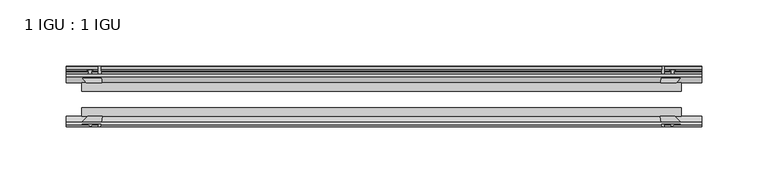
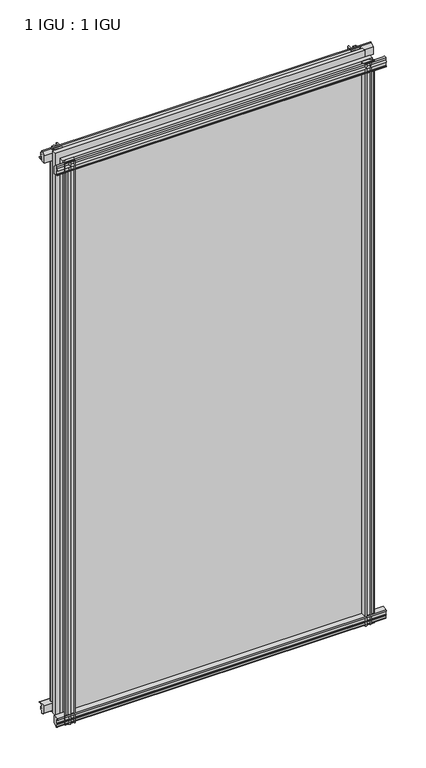
"""IFC4 building model written with IfcOpenShell, lengths in millimetres: plate geometry, 1 IGU : 1 IGU."""

from ifc_helpers import new_model, si_unit, point, frame, frame_2d, origin, place, context, project, spatial, polyline, circle_curve, trimmed, segment, composite_curve, outline, extrude, source, transform, mapped, element, save


def plate_1_igu_1_igu_ea3d2542(model_context):
    return source(origin(), model_context, "Body", "SweptSolid", [
        extrude(outline(composite_curve([segment(polyline([(-57.0900403, 1.731044), (-50.00625, 3.0983599), (-50.00625, -7.92383), (-54.1882244, -12.1058044)]), True, "CONTINUOUS"), segment(trimmed(circle_curve(frame_2d((-55.08625, -11.2077788)), 1.27), [point((-54.1882244, -12.1058044))], [point((-56.35625, -11.2077788))], False, "CARTESIAN"), True, "CONTINUOUS"), segment(polyline([(-56.35625, -11.2077788), (-56.35625, -8.0327788), (-57.835546, -5.4488186), (-56.35625, -5.1879788), (-56.35625, 0.2222212), (-57.65913, 0.0383748)]), True, "CONTINUOUS"), segment(trimmed(circle_curve(frame_2d((-56.9150839, 0.7302212)), 1.016), [point((-57.65913, 0.0383748))], [point((-57.0900403, 1.731044))], False, "CARTESIAN"), True, "CONTINUOUS")], self_intersect=False)), frame((-238.8488999, 0.0, 0.0), z_axis=(1.0, 0.0, 0.0), x_axis=(0.0, 1.0, 0.0)), (0.0, 0.0, 1.0), 481.7363999),
        extrude(outline(composite_curve([segment(polyline([(-24.60625, 2.5763839), (-12.8423053, 1.6478499)]), True, "CONTINUOUS"), segment(trimmed(circle_curve(frame_2d((-12.92225, 0.635)), 1.016), [point((-12.8423053, 1.6478499))], [point((-12.1291353, 0.0))], False, "CARTESIAN"), True, "CONTINUOUS"), segment(polyline([(-12.1291353, 0.0), (-18.25625, 0.0), (-18.25625, -4.953), (-15.9568457, -5.5691235), (-16.3325195, -4.1670901), (-15.4738114, -3.937), (-14.82725, -6.35), (-15.4738114, -8.763), (-16.3325195, -8.5329099), (-15.9568457, -7.1308765), (-18.25625, -7.747), (-18.25625, -12.7), (-20.28825, -12.7), (-24.60625, -9.1036931), (-24.60625, 2.5763839)]), True, "CONTINUOUS")], self_intersect=False)), frame((-238.8488999, 0.0, 0.0), z_axis=(1.0, 0.0, 0.0), x_axis=(0.0, 1.0, 0.0)), (0.0, 0.0, 1.0), 481.7363999),
        extrude(outline(composite_curve([segment(polyline([(-20.28825, 857.1484), (-18.25625, 857.1484), (-18.25625, 852.1954), (-15.9568457, 851.5792765), (-16.3325195, 852.9813099), (-15.4738114, 853.2114), (-14.82725, 850.7984), (-15.4738114, 848.3854), (-16.3325195, 848.6154901), (-15.9568457, 850.0175235), (-18.25625, 849.4014), (-18.25625, 844.4484), (-12.1291353, 844.4484)]), True, "CONTINUOUS"), segment(trimmed(circle_curve(frame_2d((-12.92225, 843.8134)), 1.016), [point((-12.1291353, 844.4484))], [point((-12.8423053, 842.8005501))], False, "CARTESIAN"), True, "CONTINUOUS"), segment(polyline([(-12.8423053, 842.8005501), (-24.60625, 841.8720161), (-24.60625, 853.5520931), (-20.28825, 857.1484)]), True, "CONTINUOUS")], self_intersect=False)), frame((-238.8488999, 0.0, 0.0), z_axis=(1.0, 0.0, 0.0), x_axis=(0.0, 1.0, 0.0)), (0.0, 0.0, 1.0), 481.7363999),
        extrude(outline(composite_curve([segment(trimmed(circle_curve(frame_2d((-56.9150839, 843.7181788)), 1.016), [point((-57.0900403, 842.717356))], [point((-57.65913, 844.4100252))], False, "CARTESIAN"), True, "CONTINUOUS"), segment(polyline([(-57.65913, 844.4100252), (-56.35625, 844.2261788), (-56.35625, 849.6363788), (-57.835546, 849.8972186), (-56.35625, 852.4811788), (-56.35625, 855.6561788)]), True, "CONTINUOUS"), segment(trimmed(circle_curve(frame_2d((-55.08625, 855.6561788)), 1.27), [point((-56.35625, 855.6561788))], [point((-54.1882244, 856.5542044))], False, "CARTESIAN"), True, "CONTINUOUS"), segment(polyline([(-54.1882244, 856.5542044), (-50.00625, 852.37223), (-50.00625, 841.3500401), (-57.0900403, 842.717356)]), True, "CONTINUOUS")], self_intersect=False)), frame((-238.8488999, 0.0, 0.0), z_axis=(1.0, 0.0, 0.0), x_axis=(0.0, 1.0, 0.0)), (0.0, 0.0, 1.0), 481.7363999),
        extrude(outline(composite_curve([segment(polyline([(211.736116, -24.60625), (212.6646501, -12.8423053)]), True, "CONTINUOUS"), segment(trimmed(circle_curve(frame_2d((213.6774999, -12.92225)), 1.016), [point((212.6646501, -12.8423053))], [point((214.3124999, -12.1291353))], False, "CARTESIAN"), True, "CONTINUOUS"), segment(polyline([(214.3124999, -12.1291353), (214.3124999, -18.25625), (219.2654999, -18.25625), (219.8816235, -15.9568457), (218.4795901, -16.3325195), (218.2494999, -15.4738114), (220.6624999, -14.82725), (223.0754999, -15.4738114), (222.8454098, -16.3325195), (221.4433764, -15.9568457), (222.0594999, -18.25625), (227.0124999, -18.25625), (227.0124999, -20.28825), (223.416193, -24.60625), (211.736116, -24.60625)]), True, "CONTINUOUS")], self_intersect=False)), frame((0.0, 0.0, -12.7), z_axis=(0.0, 0.0, 1.0), x_axis=(1.0, 0.0, 0.0)), (0.0, 0.0, 1.0), 869.8484),
        extrude(outline(composite_curve([segment(polyline([(219.5004787, -56.35625), (214.0902787, -56.35625), (214.2741251, -57.65913)]), True, "CONTINUOUS"), segment(trimmed(circle_curve(frame_2d((213.5822787, -56.9150839)), 1.016), [point((214.2741251, -57.65913))], [point((212.5814559, -57.0900403))], False, "CARTESIAN"), True, "CONTINUOUS"), segment(polyline([(212.5814559, -57.0900403), (211.21414, -50.00625), (222.23633, -50.00625), (226.4183043, -54.1882244)]), True, "CONTINUOUS"), segment(trimmed(circle_curve(frame_2d((225.5202787, -55.08625)), 1.27), [point((226.4183043, -54.1882244))], [point((225.5202787, -56.35625))], False, "CARTESIAN"), True, "CONTINUOUS"), segment(polyline([(225.5202787, -56.35625), (222.3452787, -56.35625), (219.7613185, -57.835546), (219.5004787, -56.35625)]), True, "CONTINUOUS")], self_intersect=False)), frame((0.0, 0.0, -12.7), z_axis=(0.0, 0.0, 1.0), x_axis=(1.0, 0.0, 0.0)), (0.0, 0.0, 1.0), 869.8484),
        extrude(outline(composite_curve([segment(polyline([(-211.736116, -24.60625), (-223.416193, -24.60625), (-227.0124999, -20.28825), (-227.0124999, -18.25625), (-222.0594999, -18.25625), (-221.4433764, -15.9568457), (-222.8454098, -16.3325195), (-223.0754999, -15.4738114), (-220.6624999, -14.82725), (-218.2494999, -15.4738114), (-218.4795901, -16.3325195), (-219.8816235, -15.9568457), (-219.2654999, -18.25625), (-214.3124999, -18.25625), (-214.3124999, -12.1291353)]), True, "CONTINUOUS"), segment(trimmed(circle_curve(frame_2d((-213.6774999, -12.92225)), 1.016), [point((-214.3124999, -12.1291353))], [point((-212.6646501, -12.8423053))], False, "CARTESIAN"), True, "CONTINUOUS"), segment(polyline([(-212.6646501, -12.8423053), (-211.736116, -24.60625)]), True, "CONTINUOUS")], self_intersect=False)), frame((0.0, 0.0, -12.7), z_axis=(0.0, 0.0, 1.0), x_axis=(1.0, 0.0, 0.0)), (0.0, 0.0, 1.0), 869.8484),
        extrude(outline(composite_curve([segment(polyline([(-211.21414, -50.00625), (-212.5814559, -57.0900403)]), True, "CONTINUOUS"), segment(trimmed(circle_curve(frame_2d((-213.5822787, -56.9150839)), 1.016), [point((-212.5814559, -57.0900403))], [point((-214.2741251, -57.65913))], False, "CARTESIAN"), True, "CONTINUOUS"), segment(polyline([(-214.2741251, -57.65913), (-214.0902787, -56.35625), (-219.5004787, -56.35625), (-219.7613185, -57.835546), (-222.3452787, -56.35625), (-225.5202787, -56.35625)]), True, "CONTINUOUS"), segment(trimmed(circle_curve(frame_2d((-225.5202787, -55.08625)), 1.27), [point((-225.5202787, -56.35625))], [point((-226.4183043, -54.1882244))], False, "CARTESIAN"), True, "CONTINUOUS"), segment(polyline([(-226.4183043, -54.1882244), (-222.23633, -50.00625), (-211.21414, -50.00625)]), True, "CONTINUOUS")], self_intersect=False)), frame((0.0, 0.0, -12.7), z_axis=(0.0, 0.0, 1.0), x_axis=(1.0, 0.0, 0.0)), (0.0, 0.0, 1.0), 869.8484),
        extrude(outline(polyline([(-227.0124999, -24.60625), (227.0124999, -24.60625), (227.0124999, -30.95625), (-227.0124999, -30.95625), (-227.0124999, -24.60625)])), frame((0.0, 0.0, -12.7), z_axis=(0.0, 0.0, 1.0), x_axis=(1.0, 0.0, 0.0)), (0.0, 0.0, 1.0), 869.8484),
        extrude(outline(polyline([(227.0124999, -43.65625), (227.0124999, -50.00625), (-227.0124999, -50.00625), (-227.0124999, -43.65625), (227.0124999, -43.65625)])), frame((0.0, 0.0, -12.7), z_axis=(0.0, 0.0, 1.0), x_axis=(1.0, 0.0, 0.0)), (0.0, 0.0, 1.0), 869.8484),
    ])


if __name__ == "__main__":
    model = new_model("IFC4")
    model_context = context("Model", 3, world=origin())
    ifc_project = project(units=[si_unit("LENGTHUNIT", "METRE", prefix="MILLI")], contexts=[model_context])
    site = spatial("IfcSite", under=ifc_project)
    building = spatial("IfcBuilding", under=site)
    placement = place(None, origin())
    plate_1_igu_1_igu_shape = plate_1_igu_1_igu_ea3d2542(model_context)
    element("IfcPlate", 1, ObjectType="1 IGU : 1 IGU", at=placement, inside=building, context=model_context, shape_type="MappedRepresentation", body=[
        mapped(plate_1_igu_1_igu_shape, transform((0.0, 0.0, 0.0), x_axis=(1.0, 0.0, 0.0), y_axis=(0.0, 1.0, 0.0), z_axis=(0.0, 0.0, 1.0))),
    ])
    save(model, "model.ifc")
